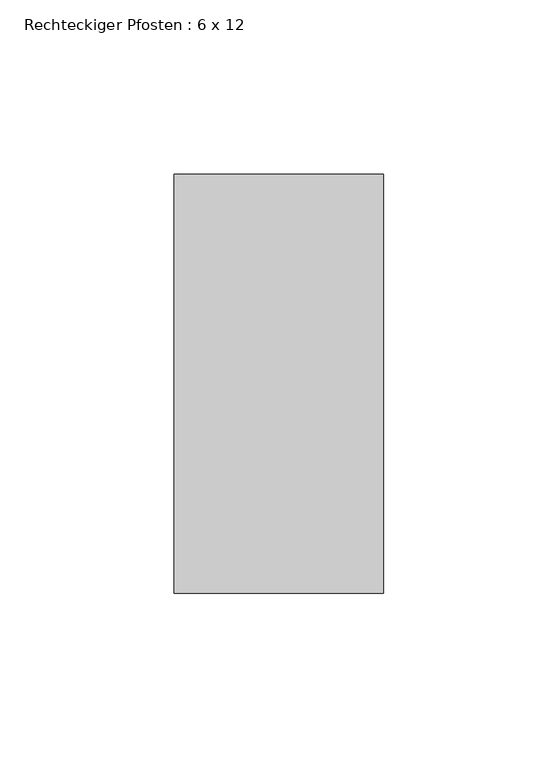
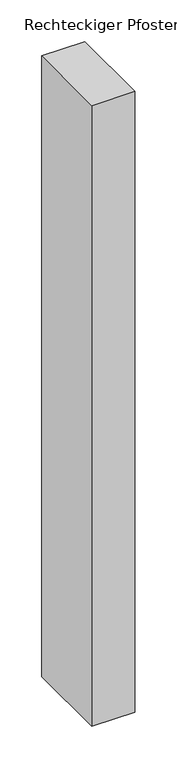
"""IFC4 building model written with IfcOpenShell, lengths in millimetres: member geometry, Rechteckiger Pfosten : 6 x 12."""

from ifc_helpers import new_model, si_unit, frame, origin, place, context, project, spatial, polyline, outline, extrude, source, transform, mapped, element, save


def rechteckiger_pfosten_6_x_12_217f7ec3(model_context):
    return source(origin(), model_context, "Body", "SweptSolid", [
        extrude(outline(polyline([(30.0, 60.0), (30.0, -60.0), (-30.0, -60.0), (-30.0, 60.0), (30.0, 60.0)])), frame((0.0, 0.0, -910.0), z_axis=(0.0, 0.0, 1.0), x_axis=(1.0, 0.0, 0.0)), (0.0, 0.0, 1.0), 910.0),
    ])


if __name__ == "__main__":
    model = new_model("IFC4")
    model_context = context("Model", 3, world=origin())
    ifc_project = project(units=[si_unit("LENGTHUNIT", "METRE", prefix="MILLI")], contexts=[model_context])
    site = spatial("IfcSite", under=ifc_project)
    building = spatial("IfcBuilding", under=site)
    placement = place(None, origin())
    rechteckiger_pfosten_6_x_12_shape = rechteckiger_pfosten_6_x_12_217f7ec3(model_context)
    element("IfcMember", 1, ObjectType="Rechteckiger Pfosten : 6 x 12", at=placement, inside=building, context=model_context, shape_type="MappedRepresentation", body=[
        mapped(rechteckiger_pfosten_6_x_12_shape, transform((0.0, 0.0, 0.0), x_axis=(1.0, 0.0, 0.0), y_axis=(0.0, 1.0, 0.0), z_axis=(0.0, 0.0, 1.0))),
    ])
    save(model, "model.ifc")
